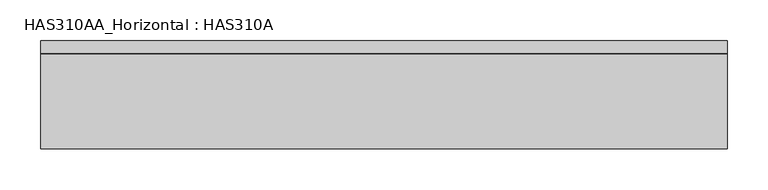
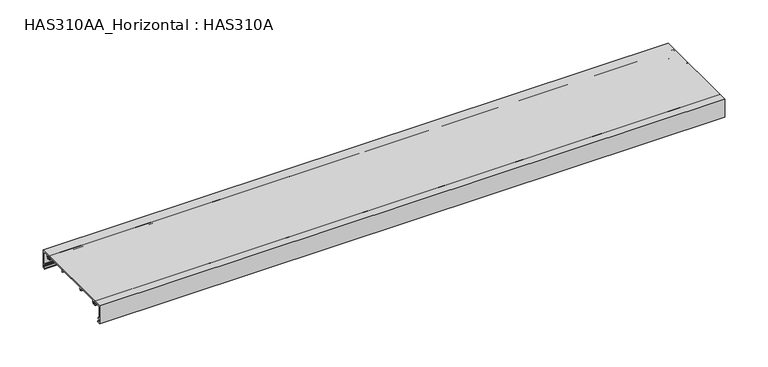
"""IFC4 building model written with IfcOpenShell, lengths in millimetres: beam geometry, HAS310AA_Horizontal : HAS310A."""

from ifc_helpers import new_model, si_unit, point, frame, frame_2d, origin, place, context, project, spatial, polyline, circle_curve, trimmed, segment, composite_curve, outline, extrude, source, transform, mapped, element, save


def has310aa_horizontal_has310a_405ba405(model_context):
    return source(origin(), model_context, "Body", "SweptSolid", [
        extrude(outline(composite_curve([segment(polyline([(-66.0, 25.0418006), (66.0, 25.0418006), (66.0, 0.0), (61.755627, 0.0), (60.9067524, 0.6366559), (61.755627, 1.2733119), (64.7266881, 1.2733119), (64.7266881, 4.6688103), (63.0289389, 4.6688103)]), True, "CONTINUOUS"), segment(trimmed(circle_curve(frame_2d((63.0289389, 5.5176849)), 0.8488746), [point((63.0289389, 4.6688103))], [point((62.1800643, 5.5176849))], False, "CARTESIAN"), True, "CONTINUOUS"), segment(polyline([(62.1800643, 5.5176849), (62.1800643, 6.5787781), (63.0289389, 6.5787781), (63.0289389, 5.5176849), (64.7266881, 5.5176849), (64.7266881, 23.7684887), (63.0289389, 23.7684887), (63.0289389, 22.7073955), (62.1800643, 22.7073955), (62.1800643, 23.7684887), (56.4882156, 23.7684887)]), True, "CONTINUOUS"), segment(trimmed(circle_curve(frame_2d((56.4882156, 23.1026125)), 0.6658763), [point((56.4882156, 23.7684887))], [point((55.8274813, 23.0200207))], True, "CARTESIAN"), True, "CONTINUOUS"), segment(polyline([(55.8274813, 23.0200207), (56.0257235, 21.4340836), (55.105005, 19.5926467)]), True, "CONTINUOUS"), segment(trimmed(circle_curve(frame_2d((54.5383851, 19.8759566)), 0.6335003), [point((55.105005, 19.5926467))], [point((53.9237995, 20.029603))], False, "CARTESIAN"), True, "CONTINUOUS"), segment(polyline([(53.9237995, 20.029603), (54.1157556, 20.7974277), (54.5401929, 22.2829582), (52.9485531, 23.6093248), (51.3569132, 22.2829582), (51.7813505, 20.7974277), (51.9845073, 19.9848004)]), True, "CONTINUOUS"), segment(trimmed(circle_curve(frame_2d((51.3748398, 19.8323835)), 0.6284309), [point((51.9845073, 19.9848004))], [point((50.8127541, 19.5513407))], False, "CARTESIAN"), True, "CONTINUOUS"), segment(polyline([(50.8127541, 19.5513407), (49.8713826, 21.4340836), (50.0648302, 22.9816644)]), True, "CONTINUOUS"), segment(trimmed(circle_curve(frame_2d((49.3702357, 23.0684887)), 0.7), [point((50.0648302, 22.9816644))], [point((49.3702357, 23.7684887))], True, "CARTESIAN"), True, "CONTINUOUS"), segment(polyline([(49.3702357, 23.7684887), (22.4951768, 23.7684887), (21.4340836, 21.8585209), (22.4951768, 20.3729904), (20.9672026, 20.3729904), (19.8030317, 21.828204), (20.5488926, 23.0713055)]), True, "CONTINUOUS"), segment(trimmed(circle_curve(frame_2d((20.1541541, 23.3081485)), 0.4603402), [point((20.5488926, 23.0713055))], [point((20.1541541, 23.7684887))], True, "CARTESIAN"), True, "CONTINUOUS"), segment(polyline([(20.1541541, 23.7684887), (-20.1541541, 23.7684887)]), True, "CONTINUOUS"), segment(trimmed(circle_curve(frame_2d((-20.1541541, 23.3081485)), 0.4603402), [point((-20.1541541, 23.7684887))], [point((-20.5488926, 23.0713055))], True, "CARTESIAN"), True, "CONTINUOUS"), segment(polyline([(-20.5488926, 23.0713055), (-19.8030317, 21.828204), (-20.9672026, 20.3729904), (-22.4951768, 20.3729904), (-21.4340836, 21.8585209), (-22.4951768, 23.7684887), (-49.3702357, 23.7684887)]), True, "CONTINUOUS"), segment(trimmed(circle_curve(frame_2d((-49.3702357, 23.0684887)), 0.7), [point((-49.3702357, 23.7684887))], [point((-50.0648302, 22.9816644))], True, "CARTESIAN"), True, "CONTINUOUS"), segment(polyline([(-50.0648302, 22.9816644), (-49.8713826, 21.4340836), (-50.8127541, 19.5513407)]), True, "CONTINUOUS"), segment(trimmed(circle_curve(frame_2d((-51.3748398, 19.8323835)), 0.6284309), [point((-50.8127541, 19.5513407))], [point((-51.9845073, 19.9848004))], False, "CARTESIAN"), True, "CONTINUOUS"), segment(polyline([(-51.9845073, 19.9848004), (-51.7813505, 20.7974277), (-51.3569132, 22.2829582), (-52.9485531, 23.6093248), (-54.5401929, 22.2829582), (-54.1157556, 20.7974277), (-53.9237995, 20.029603)]), True, "CONTINUOUS"), segment(trimmed(circle_curve(frame_2d((-54.5383851, 19.8759566)), 0.6335003), [point((-53.9237995, 20.029603))], [point((-55.105005, 19.5926467))], False, "CARTESIAN"), True, "CONTINUOUS"), segment(polyline([(-55.105005, 19.5926467), (-56.0257235, 21.4340836), (-55.8274813, 23.0200207)]), True, "CONTINUOUS"), segment(trimmed(circle_curve(frame_2d((-56.4882156, 23.1026125)), 0.6658763), [point((-55.8274813, 23.0200207))], [point((-56.4882156, 23.7684887))], True, "CARTESIAN"), True, "CONTINUOUS"), segment(polyline([(-56.4882156, 23.7684887), (-62.1800643, 23.7684887), (-62.1800643, 22.7073955), (-63.0289389, 22.7073955), (-63.0289389, 23.7684887), (-64.7266881, 23.7684887), (-64.7266881, 5.5176849), (-63.0289389, 5.5176849), (-63.0289389, 6.5787781), (-62.1800643, 6.5787781), (-62.1800643, 5.5176849)]), True, "CONTINUOUS"), segment(trimmed(circle_curve(frame_2d((-63.0289389, 5.5176849)), 0.8488746), [point((-62.1800643, 5.5176849))], [point((-63.0289389, 4.6688103))], False, "CARTESIAN"), True, "CONTINUOUS"), segment(polyline([(-63.0289389, 4.6688103), (-64.7266881, 4.6688103), (-64.7266881, 1.2733119), (-61.755627, 1.2733119), (-60.9067524, 0.6366559), (-61.755627, 0.0), (-66.0, 0.0), (-66.0, 25.0418006)]), True, "CONTINUOUS")], self_intersect=False)), frame((-419.5539789, 0.0, 0.0), z_axis=(1.0, 0.0, 0.0), x_axis=(0.0, 1.0, 0.0)), (0.0, 0.0, 1.0), 839.1079578),
    ])


if __name__ == "__main__":
    model = new_model("IFC4")
    model_context = context("Model", 3, world=origin())
    ifc_project = project(units=[si_unit("LENGTHUNIT", "METRE", prefix="MILLI")], contexts=[model_context])
    site = spatial("IfcSite", under=ifc_project)
    building = spatial("IfcBuilding", under=site)
    placement = place(None, origin())
    has310aa_horizontal_has310a_shape = has310aa_horizontal_has310a_405ba405(model_context)
    element("IfcBeam", 1, ObjectType="HAS310AA_Horizontal : HAS310A", at=placement, inside=building, context=model_context, shape_type="MappedRepresentation", body=[
        mapped(has310aa_horizontal_has310a_shape, transform((0.0, 0.0, 0.0), x_axis=(1.0, 0.0, 0.0), y_axis=(0.0, 1.0, 0.0), z_axis=(0.0, 0.0, 1.0))),
    ])
    save(model, "model.ifc")
